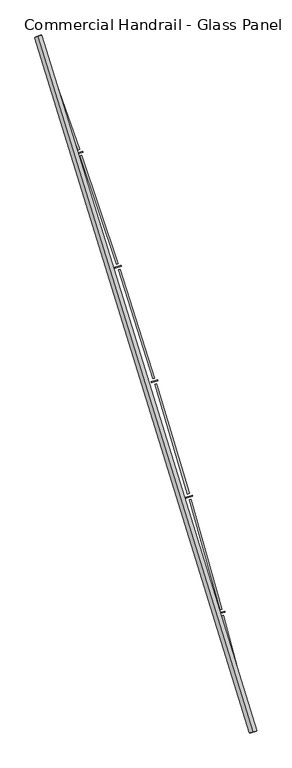
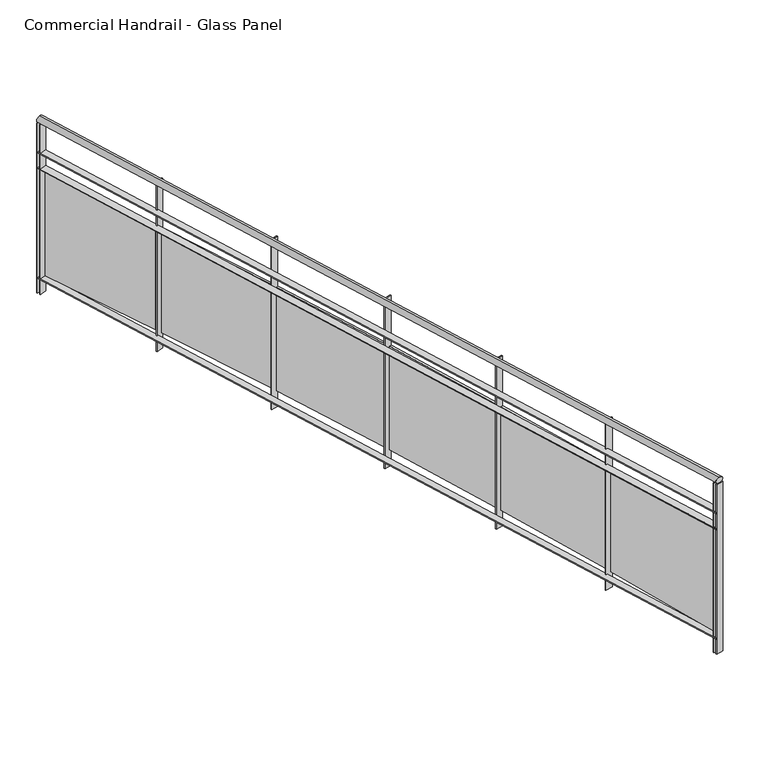
"""IFC4 building model written with IfcOpenShell, lengths in millimetres: railing geometry, Commercial Handrail - Glass Panel."""

from ifc_helpers import new_model, si_unit, point, frame, origin, place, context, project, spatial, polyline, circle_curve, ellipse_curve, trimmed, outline, extrude, source, transform, mapped, element, save
from ifc_brep_helpers import plane_surface, cylinder_surface, revolved_surface, advanced_brep


def commercial_handrail_glass_panel_943e9d38(model_context):
    return source(origin(), model_context, "Body", "SolidModel", [
        advanced_brep(
        [(180775.6028582, -41782.2225015, 9482.5), (179346.0628414, -37160.8311359, 9482.5), (179346.0628414, -37160.8311359, 9517.5), (180775.6028582, -41782.2225015, 9517.5)],
        [
            (0, 1, circle_curve(frame((134505.1876621, -53563.3040857, 9482.5), z_axis=(0.0, 0.0, 1.0), x_axis=(0.9391412678699065, 0.3435311906999195, 0.0)), 47746.6774311)),
            (1, 2, ellipse_curve(frame((179346.0628414, -37160.8311359, 9500.0), z_axis=(0.34353119069991367, -0.9391412678699088, 0.0), x_axis=(-0.9391412678699086, -0.3435311906999136, 0.0)), 25.0, 17.5)),
            (2, 3, circle_curve(frame((134505.1876621, -53563.3040857, 9517.5), z_axis=(0.0, 0.0, -1.0), x_axis=(0.9391412678699065, 0.3435311906999195, 0.0)), 47746.6774311)),
            (3, 0, ellipse_curve(frame((180775.6028582, -41782.2225015, 9500.0), z_axis=(-0.24674139056469277, 0.9690813620033158, 0.0), x_axis=(-0.9690813620033158, -0.24674139056469277, 0.0)), 25.0, 17.5)),
            (2, 1, ellipse_curve(frame((179346.0628414, -37160.8311359, 9500.0), z_axis=(0.34353119069991367, -0.9391412678699088, 0.0), x_axis=(-0.9391412678699086, -0.3435311906999136, 0.0)), 25.0, 17.5)),
            (0, 3, ellipse_curve(frame((180775.6028582, -41782.2225015, 9500.0), z_axis=(-0.24674139056469277, 0.9690813620033158, 0.0), x_axis=(-0.9690813620033158, -0.24674139056469277, 0.0)), 25.0, 17.5)),
        ],
        [
            revolved_surface(trimmed(ellipse_curve(frame((179346.0628414, -37160.8311359, 9500.0), z_axis=(-0.3435311906999195, 0.9391412678699065, 0.0), x_axis=(0.0, 0.0, -1.0)), 17.5, 25.0), [point((179346.0628414, -37160.8311359, 9517.5))], [point((179346.0628414, -37160.8311359, 9482.5))], True, "CARTESIAN"), (134505.1876621, -53563.3040857, 9500.0), (0.0, 0.0, -1.0)),
            revolved_surface(trimmed(ellipse_curve(frame((179346.0628414, -37160.8311359, 9500.0), z_axis=(-0.3435311906999195, 0.9391412678699065, 0.0), x_axis=(0.0, 0.0, -1.0)), 17.5, 25.0), [point((179346.0628414, -37160.8311359, 9482.5))], [point((179346.0628414, -37160.8311359, 9517.5))], True, "CARTESIAN"), (134505.1876621, -53563.3040857, 9500.0), (0.0, 0.0, -1.0)),
            plane_surface(frame((179346.0628414, -37160.8311359, 9500.0), z_axis=(-0.3435311906999195, 0.9391412678699065, 0.0), x_axis=(0.9391412678699065, 0.3435311906999195, 0.0))),
            plane_surface(frame((180775.6028582, -41782.2225015, 9500.0), z_axis=(0.24674139056469271, -0.9690813620033158, 0.0), x_axis=(0.9690813620033158, 0.24674139056469271, 0.0))),
        ],
        [
            (0, [[1, 2, 3, 4]]),
            (1, [[-3, 5, -1, 6]]),
            (2, [[-2, -5]]),
            (3, [[-6, -4]]),
        ],
    ),
        advanced_brep(
        [(180797.4071889, -41776.6708203, 9300.0), (179367.1935199, -37153.1016841, 9300.0), (179324.9321629, -37168.5605877, 9300.0), (180753.7985276, -41787.7741828, 9300.0), (180797.4071889, -41776.6708203, 9294.0), (179367.1935199, -37153.1016841, 9294.0), (180753.7985276, -41787.7741828, 9294.0), (179324.9321629, -37168.5605877, 9294.0)],
        [
            (0, 1, circle_curve(frame((134505.1876621, -53563.3040857, 9300.0), z_axis=(0.0, 0.0, 1.0), x_axis=(0.9391412678699065, 0.3435311906999195, 0.0)), 47769.1774311)),
            (1, 2),
            (2, 3, circle_curve(frame((134505.1876621, -53563.3040857, 9300.0), z_axis=(0.0, 0.0, -1.0), x_axis=(0.9391412678699065, 0.3435311906999195, 0.0)), 47724.1774311)),
            (3, 0),
            (4, 5, circle_curve(frame((134505.1876621, -53563.3040857, 9294.0), z_axis=(0.0, 0.0, 1.0), x_axis=(0.9391412678699065, 0.3435311906999195, 0.0)), 47769.1774311)),
            (5, 1),
            (0, 4),
            (6, 7, circle_curve(frame((134505.1876621, -53563.3040857, 9294.0), z_axis=(0.0, 0.0, 1.0), x_axis=(0.9391412678699065, 0.3435311906999195, 0.0)), 47724.1774311)),
            (7, 5),
            (4, 6),
            (2, 7),
            (6, 3),
        ],
        [
            plane_surface(frame((134505.1876621, -53563.3040857, 9300.0), z_axis=(0.0, 0.0, 1.0), x_axis=(0.9391412678699065, 0.3435311906999195, 0.0))),
            cylinder_surface(frame((134505.1876621, -53563.3040857, 9300.0), z_axis=(0.0, 0.0, -1.0), x_axis=(0.9391412678699065, 0.3435311906999195, 0.0)), 47769.1774311),
            plane_surface(frame((134505.1876621, -53563.3040857, 9294.0), z_axis=(0.0, 0.0, -1.0), x_axis=(0.9391412678699065, 0.3435311906999195, 0.0))),
            revolved_surface(polyline([(179324.93216279164, -37168.56058762, 9294.0), (179324.93216279164, -37168.56058762, 9300.0)]), (134505.1876621, -53563.3040857, 9300.0), (0.0, 0.0, -1.0)),
            plane_surface(frame((179346.0628414, -37160.8311359, 9300.0), z_axis=(-0.3435311906999195, 0.9391412678699065, 0.0), x_axis=(0.9391412678699065, 0.3435311906999195, 0.0))),
            plane_surface(frame((180775.6028582, -41782.2225015, 9300.0), z_axis=(0.24674139056469271, -0.9690813620033158, 0.0), x_axis=(0.9690813620033158, 0.24674139056469271, 0.0))),
        ],
        [
            (0, [[1, 2, 3, 4]]),
            (1, [[5, 6, -1, 7]]),
            (2, [[8, 9, -5, 10]]),
            (3, [[-3, 11, -8, 12]]),
            (4, [[-2, -6, -9, -11]]),
            (5, [[-12, -10, -7, -4]]),
        ],
    ),
        advanced_brep(
        [(180797.4071889, -41776.6708203, 9200.0), (179367.1935199, -37153.1016841, 9200.0), (179324.9321629, -37168.5605877, 9200.0), (180753.7985276, -41787.7741828, 9200.0), (180797.4071889, -41776.6708203, 9194.0), (179367.1935199, -37153.1016841, 9194.0), (180753.7985276, -41787.7741828, 9194.0), (179324.9321629, -37168.5605877, 9194.0)],
        [
            (0, 1, circle_curve(frame((134505.1876621, -53563.3040857, 9200.0), z_axis=(0.0, 0.0, 1.0), x_axis=(0.9391412678699065, 0.3435311906999195, 0.0)), 47769.1774311)),
            (1, 2),
            (2, 3, circle_curve(frame((134505.1876621, -53563.3040857, 9200.0), z_axis=(0.0, 0.0, -1.0), x_axis=(0.9391412678699065, 0.3435311906999195, 0.0)), 47724.1774311)),
            (3, 0),
            (4, 5, circle_curve(frame((134505.1876621, -53563.3040857, 9194.0), z_axis=(0.0, 0.0, 1.0), x_axis=(0.9391412678699065, 0.3435311906999195, 0.0)), 47769.1774311)),
            (5, 1),
            (0, 4),
            (6, 7, circle_curve(frame((134505.1876621, -53563.3040857, 9194.0), z_axis=(0.0, 0.0, 1.0), x_axis=(0.9391412678699065, 0.3435311906999195, 0.0)), 47724.1774311)),
            (7, 5),
            (4, 6),
            (2, 7),
            (6, 3),
        ],
        [
            plane_surface(frame((134505.1876621, -53563.3040857, 9200.0), z_axis=(0.0, 0.0, 1.0), x_axis=(0.9391412678699065, 0.3435311906999195, 0.0))),
            cylinder_surface(frame((134505.1876621, -53563.3040857, 9200.0), z_axis=(0.0, 0.0, -1.0), x_axis=(0.9391412678699065, 0.3435311906999195, 0.0)), 47769.1774311),
            plane_surface(frame((134505.1876621, -53563.3040857, 9194.0), z_axis=(0.0, 0.0, -1.0), x_axis=(0.9391412678699065, 0.3435311906999195, 0.0))),
            revolved_surface(polyline([(179324.93216279164, -37168.56058762, 9194.0), (179324.93216279164, -37168.56058762, 9200.0)]), (134505.1876621, -53563.3040857, 9200.0), (0.0, 0.0, -1.0)),
            plane_surface(frame((179346.0628414, -37160.8311359, 9200.0), z_axis=(-0.3435311906999195, 0.9391412678699065, 0.0), x_axis=(0.9391412678699065, 0.3435311906999195, 0.0))),
            plane_surface(frame((180775.6028582, -41782.2225015, 9200.0), z_axis=(0.24674139056469271, -0.9690813620033158, 0.0), x_axis=(0.9690813620033158, 0.24674139056469271, 0.0))),
        ],
        [
            (0, [[1, 2, 3, 4]]),
            (1, [[5, 6, -1, 7]]),
            (2, [[8, 9, -5, 10]]),
            (3, [[-3, 11, -8, 12]]),
            (4, [[-2, -6, -9, -11]]),
            (5, [[-12, -10, -7, -4]]),
        ],
    ),
        advanced_brep(
        [(180797.4071889, -41776.6708203, 8500.0), (179367.1935199, -37153.1016841, 8500.0), (179324.9321629, -37168.5605877, 8500.0), (180753.7985276, -41787.7741828, 8500.0), (180797.4071889, -41776.6708203, 8494.0), (179367.1935199, -37153.1016841, 8494.0), (180753.7985276, -41787.7741828, 8494.0), (179324.9321629, -37168.5605877, 8494.0)],
        [
            (0, 1, circle_curve(frame((134505.1876621, -53563.3040857, 8500.0), z_axis=(0.0, 0.0, 1.0), x_axis=(0.9391412678699065, 0.3435311906999195, 0.0)), 47769.1774311)),
            (1, 2),
            (2, 3, circle_curve(frame((134505.1876621, -53563.3040857, 8500.0), z_axis=(0.0, 0.0, -1.0), x_axis=(0.9391412678699065, 0.3435311906999195, 0.0)), 47724.1774311)),
            (3, 0),
            (4, 5, circle_curve(frame((134505.1876621, -53563.3040857, 8494.0), z_axis=(0.0, 0.0, 1.0), x_axis=(0.9391412678699065, 0.3435311906999195, 0.0)), 47769.1774311)),
            (5, 1),
            (0, 4),
            (6, 7, circle_curve(frame((134505.1876621, -53563.3040857, 8494.0), z_axis=(0.0, 0.0, 1.0), x_axis=(0.9391412678699065, 0.3435311906999195, 0.0)), 47724.1774311)),
            (7, 5),
            (4, 6),
            (2, 7),
            (6, 3),
        ],
        [
            plane_surface(frame((134505.1876621, -53563.3040857, 8500.0), z_axis=(0.0, 0.0, 1.0), x_axis=(0.9391412678699065, 0.3435311906999195, 0.0))),
            cylinder_surface(frame((134505.1876621, -53563.3040857, 8500.0), z_axis=(0.0, 0.0, -1.0), x_axis=(0.9391412678699065, 0.3435311906999195, 0.0)), 47769.1774311),
            plane_surface(frame((134505.1876621, -53563.3040857, 8494.0), z_axis=(0.0, 0.0, -1.0), x_axis=(0.9391412678699065, 0.3435311906999195, 0.0))),
            revolved_surface(polyline([(179324.93216279164, -37168.56058762, 8494.0), (179324.93216279164, -37168.56058762, 8500.0)]), (134505.1876621, -53563.3040857, 8500.0), (0.0, 0.0, -1.0)),
            plane_surface(frame((179346.0628414, -37160.8311359, 8500.0), z_axis=(-0.3435311906999195, 0.9391412678699065, 0.0), x_axis=(0.9391412678699065, 0.3435311906999195, 0.0))),
            plane_surface(frame((180775.6028582, -41782.2225015, 8500.0), z_axis=(0.24674139056469271, -0.9690813620033158, 0.0), x_axis=(0.9690813620033158, 0.24674139056469271, 0.0))),
        ],
        [
            (0, [[1, 2, 3, 4]]),
            (1, [[5, 6, -1, 7]]),
            (2, [[8, 9, -5, 10]]),
            (3, [[-3, 11, -8, 12]]),
            (4, [[-2, -6, -9, -11]]),
            (5, [[-12, -10, -7, -4]]),
        ],
    ),
        extrude(outline(polyline([(180748.1806794, -41765.7315693), (180791.7847427, -41754.6101634), (180793.2675968, -41760.4240385), (180749.6635336, -41771.5454444), (180748.1806794, -41765.7315693)])), frame((0.0, 0.0, 8400.0), z_axis=(0.0, 0.0, 1.0), x_axis=(1.0, 0.0, 0.0)), (0.0, 0.0, 1.0), 1082.1192282),
        extrude(outline(polyline([(180579.0506002, -41006.960836), (180773.041554, -41741.7856518), (180761.4390569, -41744.8486668), (180567.4481031, -41010.0238511), (180579.0506002, -41006.960836)])), frame((0.0, 0.0, 8520.0), z_axis=(0.0, 0.0, 1.0), x_axis=(1.0, 0.0, 0.0)), (0.0, 0.0, 1.0), 660.0),
        extrude(outline(polyline([(180544.0296903, -40992.6181386), (180587.4413017, -40980.7677378), (180589.0213551, -40986.5559526), (180545.6097438, -40998.4063534), (180544.0296903, -40992.6181386)])), frame((0.0, 0.0, 8400.0), z_axis=(0.0, 0.0, 1.0), x_axis=(1.0, 0.0, 0.0)), (0.0, 0.0, 1.0), 1082.1192282),
        extrude(outline(polyline([(180362.2106717, -40236.7875664), (180568.485878, -40968.2590554), (180556.9363282, -40971.5160323), (180350.6611219, -40240.0445433), (180362.2106717, -40236.7875664)])), frame((0.0, 0.0, 8520.0), z_axis=(0.0, 0.0, 1.0), x_axis=(1.0, 0.0, 0.0)), (0.0, 0.0, 1.0), 660.0),
        extrude(outline(polyline([(180326.9543755, -40223.0336333), (180370.1613482, -40210.4575643), (180371.8381574, -40216.218494), (180328.6311847, -40228.794563), (180326.9543755, -40223.0336333)])), frame((0.0, 0.0, 8400.0), z_axis=(0.0, 0.0, 1.0), x_axis=(1.0, 0.0, 0.0)), (0.0, 0.0, 1.0), 1082.1192282),
        extrude(outline(polyline([(180132.4974589, -39470.3554039), (180350.9990108, -40198.2682227), (180339.5056505, -40201.7182472), (180121.0040986, -39473.8054284), (180132.4974589, -39470.3554039)])), frame((0.0, 0.0, 8520.0), z_axis=(0.0, 0.0, 1.0), x_axis=(1.0, 0.0, 0.0)), (0.0, 0.0, 1.0), 660.0),
        extrude(outline(polyline([(180097.0156738, -39457.1940962), (180140.0058784, -39443.8958894), (180141.7789726, -39449.6279167), (180098.788768, -39462.9261235), (180097.0156738, -39457.1940962)])), frame((0.0, 0.0, 8400.0), z_axis=(0.0, 0.0, 1.0), x_axis=(1.0, 0.0, 0.0)), (0.0, 0.0, 1.0), 1082.1192282),
        extrude(outline(polyline([(179889.9754484, -38707.8795063), (180120.6420068, -39432.0293105), (180109.2080625, -39435.6714141), (179878.5415042, -38711.5216099), (179889.9754484, -38707.8795063)])), frame((0.0, 0.0, 8520.0), z_axis=(0.0, 0.0, 1.0), x_axis=(1.0, 0.0, 0.0)), (0.0, 0.0, 1.0), 660.0),
        extrude(outline(polyline([(179854.278135, -38695.3145188), (179897.0395032, -38681.2979075), (179898.9083847, -38686.9994232), (179856.1470165, -38701.0160346), (179854.278135, -38695.3145188)])), frame((0.0, 0.0, 8400.0), z_axis=(0.0, 0.0, 1.0), x_axis=(1.0, 0.0, 0.0)), (0.0, 0.0, 1.0), 1082.1192282),
        extrude(outline(polyline([(179634.7127226, -37949.5739211), (179877.4795332, -38669.7574225), (179866.1082147, -38673.5905826), (179623.3414042, -37953.4070812), (179634.7127226, -37949.5739211)])), frame((0.0, 0.0, 8520.0), z_axis=(0.0, 0.0, 1.0), x_axis=(1.0, 0.0, 0.0)), (0.0, 0.0, 1.0), 660.0),
        extrude(outline(polyline([(179598.8099021, -37937.608781), (179641.3304295, -37922.8776999), (179643.2945737, -37928.5471036), (179600.7740463, -37943.2781847), (179598.8099021, -37937.608781)])), frame((0.0, 0.0, 8400.0), z_axis=(0.0, 0.0, 1.0), x_axis=(1.0, 0.0, 0.0)), (0.0, 0.0, 1.0), 1082.1192282),
        extrude(outline(polyline([(179366.7809405, -37195.6515245), (179621.5798522, -37911.6665486), (179610.2743518, -37915.6896893), (179355.4754402, -37199.6746652), (179366.7809405, -37195.6515245)])), frame((0.0, 0.0, 8520.0), z_axis=(0.0, 0.0, 1.0), x_axis=(1.0, 0.0, 0.0)), (0.0, 0.0, 1.0), 660.0),
        extrude(outline(polyline([(179330.6826918, -37184.2895909), (179372.9504418, -37168.8481755), (179375.0092972, -37174.4838755), (179332.7415472, -37189.9252909), (179330.6826918, -37184.2895909)])), frame((0.0, 0.0, 8400.0), z_axis=(0.0, 0.0, 1.0), x_axis=(1.0, 0.0, 0.0)), (0.0, 0.0, 1.0), 1082.1192282),
        extrude(outline(polyline([(180753.0583034, -41784.8669387), (180796.6669647, -41773.7635762), (180798.147413, -41779.5780643), (180754.5387518, -41790.6814269), (180753.0583034, -41784.8669387)])), frame((0.0, 0.0, 8400.0), z_axis=(0.0, 0.0, 1.0), x_axis=(1.0, 0.0, 0.0)), (0.0, 0.0, 1.0), 1082.1192282),
        extrude(outline(polyline([(179323.9015693, -37165.7431638), (179366.1629263, -37150.2842603), (179368.2241135, -37155.9191079), (179325.9627564, -37171.3780115), (179323.9015693, -37165.7431638)])), frame((0.0, 0.0, 8400.0), z_axis=(0.0, 0.0, 1.0), x_axis=(1.0, 0.0, 0.0)), (0.0, 0.0, 1.0), 1082.1192282),
    ])


if __name__ == "__main__":
    model = new_model("IFC4")
    model_context = context("Model", 3, world=origin())
    ifc_project = project(units=[si_unit("LENGTHUNIT", "METRE", prefix="MILLI")], contexts=[model_context])
    site = spatial("IfcSite", under=ifc_project)
    building = spatial("IfcBuilding", under=site)
    placement = place(None, origin())
    commercial_handrail_glass_panel_shape = commercial_handrail_glass_panel_943e9d38(model_context)
    element("IfcRailing", 1, ObjectType="Commercial Handrail - Glass Panel", at=placement, inside=building, context=model_context, shape_type="MappedRepresentation", body=[
        mapped(commercial_handrail_glass_panel_shape, transform((0.0, 0.0, 0.0), x_axis=(1.0, 0.0, 0.0), y_axis=(0.0, 1.0, 0.0), z_axis=(0.0, 0.0, 1.0))),
    ])
    save(model, "model.ifc")
